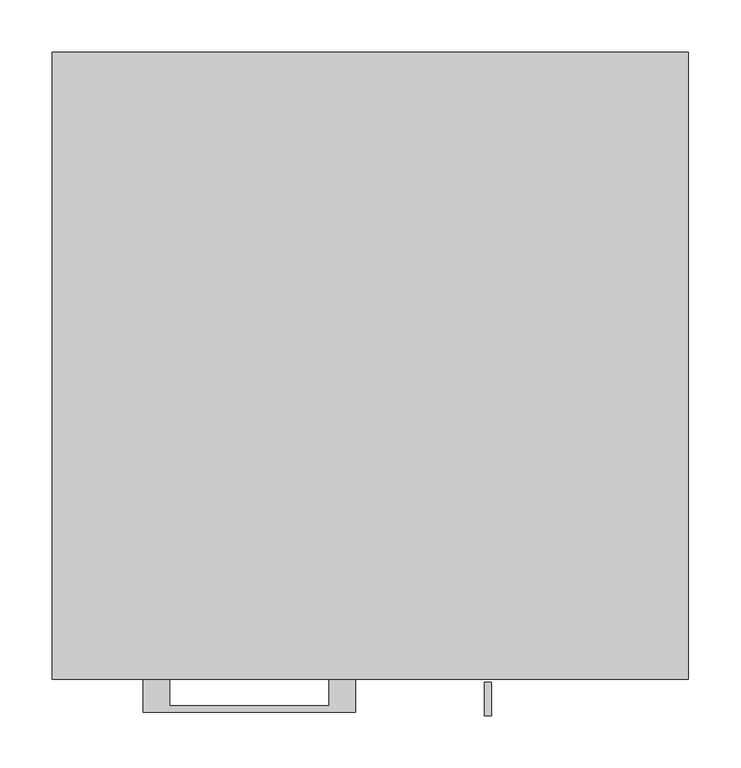
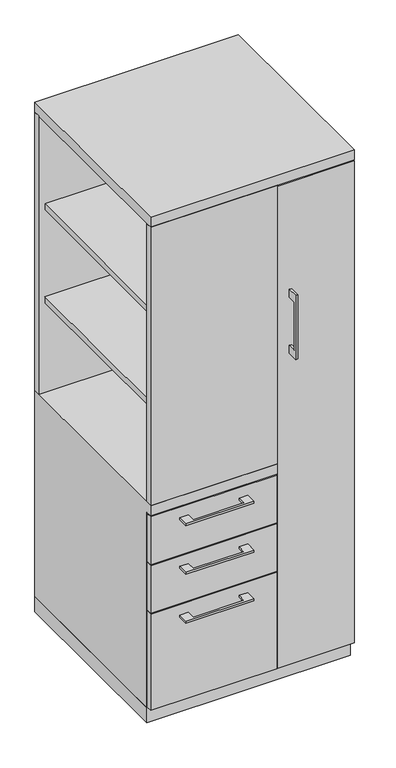
"""IFC4 building model written with IfcOpenShell, lengths in millimetres: furniture geometry."""

import ifcopenshell
import ifcopenshell.guid

model = None  # the IFC model being written
_history = None  # IfcOwnerHistory: only IFC2X3 demands one
_inside = {}  # id of a spatial element -> (the spatial element, [elements in it])
_under = {}  # id of a project, library or spatial element -> (it, [spatial elements below it])
_declared = {}  # id of a project -> (the project, [libraries it declares])
_typed = {}  # id of a type object -> (the type object, [elements of that type])
_made_of = {}  # id of a material, layer set ... -> (it, [elements and type objects made of it])


def new_model(schema):
    """Start an empty IFC model of exactly this schema.

    Asked for "IFC4X3", IfcOpenShell would pick the latest addendum, in which some entities
    have other attributes; the version numbers below select the first issue.
    IFC2X3 requires an IfcOwnerHistory on every rooted entity: one is made here for all.
    """
    global model, _history
    if schema == "IFC4X3":
        model = ifcopenshell.file(schema_version=(4, 3, 0, 0))
    else:
        model = ifcopenshell.file(schema=schema)
    _inside.clear()
    _under.clear()
    _declared.clear()
    _typed.clear()
    _made_of.clear()
    _history = None
    if model.schema == "IFC2X3":
        org = make("IfcOrganization", Name="unknown")
        user = make(
            "IfcPersonAndOrganization",
            ThePerson=make("IfcPerson", FamilyName="unknown"),
            TheOrganization=org,
        )
        app = make(
            "IfcApplication",
            ApplicationDeveloper=org,
            Version="unknown",
            ApplicationFullName="unknown",
            ApplicationIdentifier="unknown",
        )
        _history = make(
            "IfcOwnerHistory",
            OwningUser=user,
            OwningApplication=app,
            ChangeAction="ADDED",
            CreationDate=0,
        )
    return model


def make(cls, **values):
    """One entity of the class cls with the attributes given. An attribute that is None is left unset."""
    return model.create_entity(
        cls, **{name: value for name, value in values.items() if value is not None}
    )


def rooted(cls, **values):
    """An entity with a GlobalId (a new one), such as an element, a storey or a relation."""
    return make(cls, GlobalId=ifcopenshell.guid.new(), OwnerHistory=_history, **values)


def si_unit(unit_type, name, prefix=None):
    """IfcSIUnit, for example si_unit("LENGTHUNIT", "METRE", prefix="MILLI")."""
    return make("IfcSIUnit", UnitType=unit_type, Prefix=prefix, Name=name)


def assignment(units):
    """IfcUnitAssignment: the units of a project."""
    return None if units is None else make("IfcUnitAssignment", Units=units)


def point(xyz):
    """IfcCartesianPoint."""
    return None if xyz is None else make("IfcCartesianPoint", Coordinates=xyz)


def direction(xyz):
    """IfcDirection."""
    return None if xyz is None else make("IfcDirection", DirectionRatios=xyz)


def frame(location, z_axis=None, x_axis=None):
    """IfcAxis2Placement3D, a coordinate frame: its origin and axes. An axis left out is left unset."""
    return make(
        "IfcAxis2Placement3D",
        Location=point(location),
        Axis=direction(z_axis),
        RefDirection=direction(x_axis),
    )


def origin():
    """The frame at (0, 0, 0) with its axes left unset."""
    return frame((0.0, 0.0, 0.0))


def origin_with_axes():
    """The frame at (0, 0, 0) with the z axis (0, 0, 1) and the x axis (1, 0, 0) written out."""
    return frame((0.0, 0.0, 0.0), z_axis=(0.0, 0.0, 1.0), x_axis=(1.0, 0.0, 0.0))


def place(relative_to, where):
    """IfcLocalPlacement: puts the frame where relative to a parent placement (None: the world)."""
    return make(
        "IfcLocalPlacement", PlacementRelTo=relative_to, RelativePlacement=where
    )


def context(
    kind, dimensions, precision=None, world=None, true_north=None, identifier=None
):
    """IfcGeometricRepresentationContext, for example the 3D "Model" context."""
    return make(
        "IfcGeometricRepresentationContext",
        ContextIdentifier=identifier,
        ContextType=kind,
        CoordinateSpaceDimension=dimensions,
        Precision=precision,
        WorldCoordinateSystem=world,
        TrueNorth=true_north,
    )


def project(units=None, contexts=None):
    """IfcProject with its units and contexts."""
    return rooted(
        "IfcProject",
        Name="project",
        RepresentationContexts=contexts,
        UnitsInContext=assignment(units),
    )


def spatial(cls, under=None, at=None, **own):
    """A site, building, storey or space (cls), placed at a placement, below another one or the project."""
    s = rooted(cls, ObjectPlacement=at, **own)
    if under is not None:
        _under.setdefault(under.id(), (under, []))[1].append(s)
    return s


def polyline(points):
    """IfcPolyline through the points."""
    return make("IfcPolyline", Points=[point(p) for p in points])


def outline(outer, holes=None, kind="AREA"):
    """IfcArbitraryClosedProfileDef: a profile drawn as a closed curve; with holes, ...WithVoids."""
    if holes is None:
        return make("IfcArbitraryClosedProfileDef", ProfileType=kind, OuterCurve=outer)
    return make(
        "IfcArbitraryProfileDefWithVoids",
        ProfileType=kind,
        OuterCurve=outer,
        InnerCurves=holes,
    )


def extrude(swept, where, along, depth):
    """IfcExtrudedAreaSolid: the profile swept, set in the frame where, extruded along a direction by depth."""
    return make(
        "IfcExtrudedAreaSolid",
        SweptArea=swept,
        Position=where,
        ExtrudedDirection=direction(along),
        Depth=depth,
    )


def faces_of(points, faces, orient=None, outer=None):
    """IfcFace entities. A face is a list of loops; a loop is a list of indices into points, from 0.

    orient and outer hold one flag for each loop. By default every Orientation is true, the
    first loop of a face is its IfcFaceOuterBound and the others are IfcFaceBound.
    """
    made = []
    for i, loops in enumerate(faces):
        bounds = []
        for j, loop in enumerate(loops):
            is_outer = j == 0 if outer is None else outer[i][j]
            bounds.append(
                make(
                    "IfcFaceOuterBound" if is_outer else "IfcFaceBound",
                    Bound=make("IfcPolyLoop", Polygon=[points[k] for k in loop]),
                    Orientation=True if orient is None else orient[i][j],
                )
            )
        made.append(make("IfcFace", Bounds=bounds))
    return made


def faceted_brep(points, faces, orient=None, outer=None, voids=None):
    """IfcFacetedBrep: a solid bounded by flat faces; with voids (closed shells), ...WithVoids."""
    shared = [point(p) for p in points]
    hull = make("IfcClosedShell", CfsFaces=faces_of(shared, faces, orient, outer))
    if voids is None:
        return make("IfcFacetedBrep", Outer=hull)
    return make(
        "IfcFacetedBrepWithVoids",
        Outer=hull,
        Voids=[
            make(cls, CfsFaces=faces_of(shared, fs, o, b)) for cls, fs, o, b in voids
        ],
    )


def shape(context_of_items, identifier, shape_type, items):
    """IfcShapeRepresentation: the items that make up one representation, for example the "Body"."""
    return make(
        "IfcShapeRepresentation",
        ContextOfItems=context_of_items,
        RepresentationIdentifier=identifier,
        RepresentationType=shape_type,
        Items=items,
    )


def source(mapping_origin, context_of_items, identifier, shape_type, items):
    """IfcRepresentationMap: a shape defined once, which mapped items show again and again."""
    return make(
        "IfcRepresentationMap",
        MappingOrigin=mapping_origin,
        MappedRepresentation=shape(context_of_items, identifier, shape_type, items),
    )


def transform(
    local_origin,
    x_axis=None,
    y_axis=None,
    z_axis=None,
    scale=None,
    scale2=None,
    scale3=None,
    uniform=True,
):
    """IfcCartesianTransformationOperator3D, or its non-uniform kind. x_axis, y_axis, z_axis: its Axis1, 2, 3."""
    if uniform:
        return make(
            "IfcCartesianTransformationOperator3D",
            Axis1=direction(x_axis),
            Axis2=direction(y_axis),
            LocalOrigin=point(local_origin),
            Scale=scale,
            Axis3=direction(z_axis),
        )
    return make(
        "IfcCartesianTransformationOperator3DnonUniform",
        Axis1=direction(x_axis),
        Axis2=direction(y_axis),
        LocalOrigin=point(local_origin),
        Scale=scale,
        Axis3=direction(z_axis),
        Scale2=scale2,
        Scale3=scale3,
    )


def mapped(mapping_source, mapping_target):
    """IfcMappedItem: shows the shape of a source again, moved by a transform."""
    return make(
        "IfcMappedItem", MappingSource=mapping_source, MappingTarget=mapping_target
    )


def made_of(thing, what):
    """Note that an element or type object is made of a material, layer set ...; save() writes the relation."""
    if what is not None:
        _made_of.setdefault(what.id(), (what, []))[1].append(thing)
    return thing


def element(
    cls,
    number,
    at=None,
    inside=None,
    cuts=None,
    type_object=None,
    material=None,
    context=None,
    identifier="Body",
    shape_type=None,
    held_by="IfcProductDefinitionShape",
    body=None,
    shapes=None,
    **own,
):
    """One element of the class cls, such as IfcWall. Its Tag is "e" and its number.

    at: its placement. inside: the storey or other place that contains it. cuts: it is an
    opening in that element (IfcRelVoidsElement). A single representation is given by context,
    identifier, shape_type and body (its items); several are given by shapes. held_by: the class
    of the entity that holds the representations. save() writes the other relations.
    """
    e = rooted(cls, Tag="e%d" % number, ObjectPlacement=at, **own)
    if body is not None:
        shapes = [shape(context, identifier, shape_type, body)]
    if shapes is not None:
        e.Representation = make(held_by, Representations=shapes)
    if inside is not None:
        _inside.setdefault(inside.id(), (inside, []))[1].append(e)
    if cuts is not None:
        rooted(
            "IfcRelVoidsElement", RelatingBuildingElement=cuts, RelatedOpeningElement=e
        )
    if type_object is not None:
        _typed.setdefault(type_object.id(), (type_object, []))[1].append(e)
    return made_of(e, material)


def aggregate(whole, parts):
    """IfcRelAggregates: a whole, such as a stair, and the parts it consists of."""
    return rooted("IfcRelAggregates", RelatingObject=whole, RelatedObjects=parts)


def save(model, path):
    """Write the relations noted so far, then the file.

    IfcRelAggregates (storeys below a building ...), IfcRelContainedInSpatialStructure (elements
    in a storey), IfcRelDefinesByType, IfcRelAssociatesMaterial and IfcRelDeclares: one each for
    every whole, place, type object, material and project.
    """
    for whole, parts in _under.values():
        aggregate(whole, parts)
    for where, things in _inside.values():
        rooted(
            "IfcRelContainedInSpatialStructure",
            RelatedElements=things,
            RelatingStructure=where,
        )
    for kind, things in _typed.values():
        rooted("IfcRelDefinesByType", RelatedObjects=things, RelatingType=kind)
    for what, things in _made_of.values():
        rooted("IfcRelAssociatesMaterial", RelatedObjects=things, RelatingMaterial=what)
    for by, libraries in _declared.values():
        rooted("IfcRelDeclares", RelatingContext=by, RelatedDefinitions=libraries)
    model.write(path)


def furniture_e6b651b2(model_context):
    return source(origin(), model_context, "Body", "SolidModel", [
        extrude(outline(polyline([(57.15, -579.4375), (-285.75, -579.4375), (-285.75, -17.4625), (57.15, -17.4625), (57.15, -579.4375)])), frame((0.0, 0.0, 1277.4083333), z_axis=(0.0, 0.0, 1.0), x_axis=(1.0, 0.0, 0.0)), (0.0, 0.0, 1.0), 19.05),
        extrude(outline(polyline([(-192.0874818, -600.075), (-192.0874818, -625.4749758), (-39.6875, -625.4749758), (-39.6875, -600.075), (-14.2875061, -600.075), (-14.2875061, -631.8249879), (-217.4874939, -631.8249879), (-217.4874939, -600.075), (-192.0874818, -600.075)])), frame((0.0, 0.0, 623.8875506), z_axis=(0.0, 0.0, 1.0), x_axis=(1.0, 0.0, 0.0)), (0.0, 0.0, 1.0), 6.3499758),
        extrude(outline(polyline([(73.025, -581.025), (73.025, -600.075), (-304.8, -600.075), (-304.8, -581.025), (73.025, -581.025)])), frame((0.0, 0.0, 512.7625), z_axis=(0.0, 0.0, 1.0), x_axis=(1.0, 0.0, 0.0)), (0.0, 0.0, 1.0), 150.8125),
        extrude(outline(polyline([(57.15, -581.025), (-285.75, -581.025), (-285.75, -19.05), (57.15, -19.05), (57.15, -581.025)])), frame((0.0, 0.0, 983.1916667), z_axis=(0.0, 0.0, 1.0), x_axis=(1.0, 0.0, 0.0)), (0.0, 0.0, 1.0), 19.05),
        extrude(outline(polyline([(-192.0874818, -600.075), (-192.0874818, -625.4749758), (-39.6875, -625.4749758), (-39.6875, -600.075), (-14.2875061, -600.075), (-14.2875061, -631.8249879), (-217.4874939, -631.8249879), (-217.4874939, -600.075), (-192.0874818, -600.075)])), frame((0.0, 0.0, 469.9000506), z_axis=(0.0, 0.0, 1.0), x_axis=(1.0, 0.0, 0.0)), (0.0, 0.0, 1.0), 6.3499758),
        extrude(outline(polyline([(73.025, -581.025), (73.025, -600.075), (-304.8, -600.075), (-304.8, -581.025), (73.025, -581.025)])), frame((0.0, 0.0, 358.775), z_axis=(0.0, 0.0, 1.0), x_axis=(1.0, 0.0, 0.0)), (0.0, 0.0, 1.0), 150.8125),
        extrude(outline(polyline([(-603.25, 1216.025), (-628.6499758, 1216.025), (-628.6499758, 1063.625), (-603.25, 1063.625), (-603.25, 1038.225), (-634.9999879, 1038.225), (-634.9999879, 1241.425), (-603.25, 1241.425), (-603.25, 1216.025)])), frame((109.5375121, 0.0, 0.0), z_axis=(1.0, 0.0, 0.0), x_axis=(0.0, 1.0, 0.0)), (0.0, 0.0, 1.0), 6.3499758),
        extrude(outline(polyline([(304.8, -600.075), (76.2, -600.075), (76.2, -581.025), (304.8, -581.025), (304.8, -600.075)])), frame((0.0, 0.0, 50.8), z_axis=(0.0, 0.0, 1.0), x_axis=(1.0, 0.0, 0.0)), (0.0, 0.0, 1.0), 1527.175),
        extrude(outline(polyline([(-192.0874818, -600.075), (-192.0874818, -625.4749758), (-39.6875, -625.4749758), (-39.6875, -600.075), (-14.2875061, -600.075), (-14.2875061, -631.8249879), (-217.4874939, -631.8249879), (-217.4874939, -600.075), (-192.0874818, -600.075)])), frame((0.0, 0.0, 315.9125506), z_axis=(0.0, 0.0, 1.0), x_axis=(1.0, 0.0, 0.0)), (0.0, 0.0, 1.0), 6.3499758),
        extrude(outline(polyline([(73.025, -581.025), (73.025, -600.075), (-304.8, -600.075), (-304.8, -581.025), (73.025, -581.025)])), frame((0.0, 0.0, 50.8), z_axis=(0.0, 0.0, 1.0), x_axis=(1.0, 0.0, 0.0)), (0.0, 0.0, 1.0), 304.8),
        faceted_brep([(-304.8, -581.025, 47.625), (-304.8, 0.0, 47.625), (76.2, 0.0, 47.625), (76.2, -581.025, 47.625), (-304.8, 0.0, 698.5), (76.2, 0.0, 698.5), (-304.8, -581.025, 666.75), (-304.8, -600.075, 666.75), (-304.8, -600.075, 698.5), (76.2, -581.025, 666.75), (57.15, -581.025, 666.75), (76.2, -581.025, 1581.15), (57.15, -581.025, 1581.15), (57.15, -581.025, 698.5), (76.2, -581.025, 698.5), (76.2, -19.05, 698.5), (76.2, -19.05, 1581.15), (76.2, -600.075, 698.5), (76.2, -600.075, 666.75), (57.15, -19.05, 1581.15), (57.15, -19.05, 698.5)], [[[0, 1, 2, 3]], [[2, 1, 4, 5]], [[4, 1, 0, 6, 7, 8]], [[6, 0, 3, 9, 10]], [[11, 12, 13, 14]], [[2, 5, 15, 16, 11, 14, 17, 18, 9, 3]], [[16, 19, 12, 11]], [[19, 16, 15, 20]], [[12, 19, 20, 13]], [[5, 4, 8, 17, 14, 13, 20, 15]], [[18, 7, 6, 10, 9]], [[17, 8, 7, 18]]]),
        extrude(outline(polyline([(76.2, 0.0), (76.2, -19.05), (-304.8, -19.05), (-304.8, 0.0), (76.2, 0.0)])), frame((0.0, 0.0, 698.5), z_axis=(0.0, 0.0, 1.0), x_axis=(1.0, 0.0, 0.0)), (0.0, 0.0, 1.0), 882.65),
        extrude(outline(polyline([(76.2, -600.075), (-304.8, -600.075), (-304.8, -581.025), (76.2, -581.025), (76.2, -600.075)])), frame((0.0, 0.0, 698.5), z_axis=(0.0, 0.0, 1.0), x_axis=(1.0, 0.0, 0.0)), (0.0, 0.0, 1.0), 882.65),
        extrude(outline(polyline([(304.8, 0.0), (304.8, -581.025), (285.75, -581.025), (285.75, -19.05), (76.2, -19.05), (76.2, 0.0), (304.8, 0.0)])), frame((0.0, 0.0, 47.625), z_axis=(0.0, 0.0, 1.0), x_axis=(1.0, 0.0, 0.0)), (0.0, 0.0, 1.0), 1533.525),
        extrude(outline(polyline([(304.8, 0.0), (304.8, -600.075), (-304.8, -600.075), (-304.8, 0.0), (304.8, 0.0)])), frame((0.0, 0.0, 1581.15), z_axis=(0.0, 0.0, 1.0), x_axis=(1.0, 0.0, 0.0)), (0.0, 0.0, 1.0), 31.75),
        extrude(outline(polyline([(304.8, 0.0), (304.8, -581.025), (-304.8, -581.025), (-304.8, 0.0), (304.8, 0.0)])), origin_with_axes(), (0.0, 0.0, 1.0), 47.625),
    ])


if __name__ == "__main__":
    model = new_model("IFC4")
    model_context = context("Model", 3, world=origin())
    ifc_project = project(units=[si_unit("LENGTHUNIT", "METRE", prefix="MILLI")], contexts=[model_context])
    site = spatial("IfcSite", under=ifc_project)
    building = spatial("IfcBuilding", under=site)
    placement = place(None, origin())
    furniture_shape = furniture_e6b651b2(model_context)
    element("IfcFurniture", 1, at=placement, inside=building, context=model_context, shape_type="MappedRepresentation", body=[
        mapped(furniture_shape, transform((0.0, 0.0, 0.0), x_axis=(1.0, 0.0, 0.0), y_axis=(0.0, 1.0, 0.0), z_axis=(0.0, 0.0, 1.0))),
    ])
    save(model, "model.ifc")
